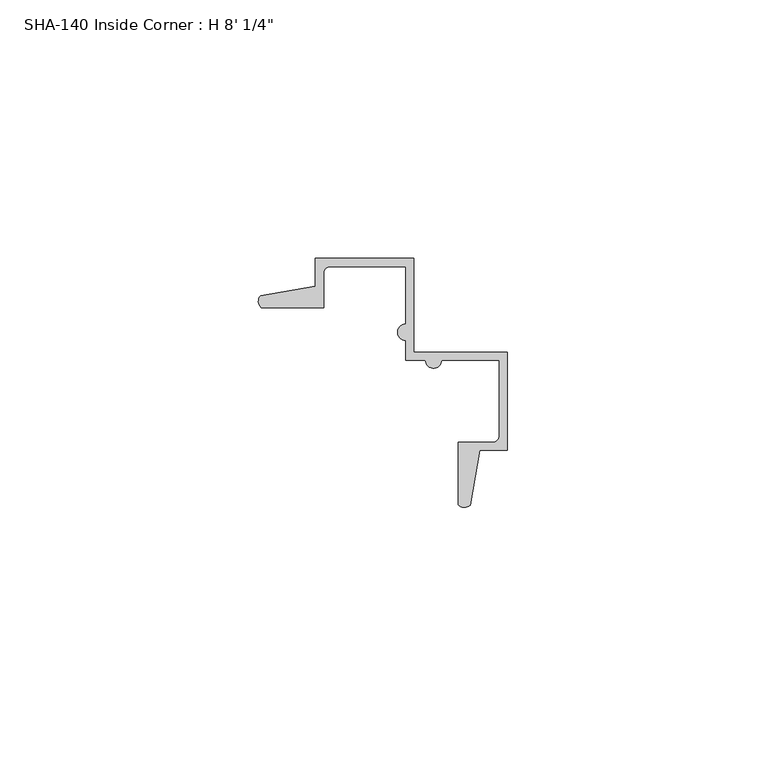
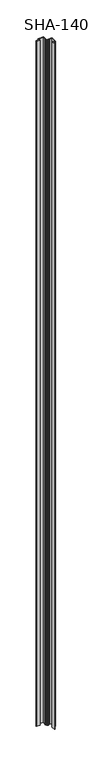
"""IFC4 building model written with IfcOpenShell, lengths in millimetres: proxy geometry."""

from ifc_helpers import new_model, si_unit, point, frame_2d, origin, origin_with_axes, place, context, project, spatial, polyline, circle_curve, trimmed, segment, composite_curve, outline, extrude, source, transform, mapped, element, save


def proxy_3d2296d3(model_context):
    return source(origin(), model_context, "Body", "SweptSolid", [
        extrude(outline(composite_curve([segment(polyline([(22.5074749, -10.2039449), (22.5074749, 4.4010551), (14.5572749, 4.4010551), (11.3695749, 4.4010551)]), True, "CONTINUOUS"), segment(trimmed(circle_curve(frame_2d((9.7947749, 4.4010551)), 1.5748), [point((11.3695749, 4.4010551))], [point((8.2199749, 4.4010551))], False, "CARTESIAN"), True, "CONTINUOUS"), segment(polyline([(8.2199749, 4.4010551), (4.3972749, 4.4010551), (4.3972749, 8.2237551)]), True, "CONTINUOUS"), segment(trimmed(circle_curve(frame_2d((4.3972749, 9.7985551)), 1.5748), [point((4.3972749, 8.2237551))], [point((4.3972749, 11.3733551))], False, "CARTESIAN"), True, "CONTINUOUS"), segment(polyline([(4.3972749, 11.3733551), (4.3972749, 14.5610551), (4.3972749, 22.5112551), (-10.2077251, 22.5112551)]), True, "CONTINUOUS"), segment(trimmed(circle_curve(frame_2d((-10.2077251, 21.2412551)), 1.27), [point((-10.2077251, 22.5112551))], [point((-11.4777251, 21.2412551))], True, "CARTESIAN"), True, "CONTINUOUS"), segment(polyline([(-11.4777251, 21.2412551), (-11.4777251, 14.5610551), (-23.5625282, 14.5610551)]), True, "CONTINUOUS"), segment(trimmed(circle_curve(frame_2d((-22.4717705, 15.7537316)), 1.6162393), [point((-23.5625282, 14.5610551))], [point((-23.628612, 16.8824244))], False, "CARTESIAN"), True, "CONTINUOUS"), segment(polyline([(-23.628612, 16.8824244), (-13.0525251, 18.6933982), (-13.0525251, 24.0860551), (5.9720749, 24.0860551), (5.9720749, 5.9758551), (24.0822749, 5.9758551), (24.0822749, -13.0487449), (18.689618, -13.0487449), (16.8786442, -23.6248318)]), True, "CONTINUOUS"), segment(trimmed(circle_curve(frame_2d((15.7499514, -22.4679903)), 1.6162393), [point((16.8786442, -23.6248318))], [point((14.5572749, -23.558748))], False, "CARTESIAN"), True, "CONTINUOUS"), segment(polyline([(14.5572749, -23.558748), (14.5572749, -11.4739449), (21.2374749, -11.4739449)]), True, "CONTINUOUS"), segment(trimmed(circle_curve(frame_2d((21.2374749, -10.2039449)), 1.27), [point((21.2374749, -11.4739449))], [point((22.5074749, -10.2039449))], True, "CARTESIAN"), True, "CONTINUOUS")], self_intersect=False)), origin_with_axes(), (0.0, 0.0, 1.0), 2444.75),
    ])


if __name__ == "__main__":
    model = new_model("IFC4")
    model_context = context("Model", 3, world=origin())
    ifc_project = project(units=[si_unit("LENGTHUNIT", "METRE", prefix="MILLI")], contexts=[model_context])
    site = spatial("IfcSite", under=ifc_project)
    building = spatial("IfcBuilding", under=site)
    placement = place(None, origin())
    proxy_shape = proxy_3d2296d3(model_context)
    element("IfcBuildingElementProxy", 1, Name="SHA-140 Inside Corner : H 8' 1/4\"", ObjectType="SHA-140 Inside Corner : H 8' 1/4\"", at=placement, inside=building, context=model_context, shape_type="MappedRepresentation", body=[
        mapped(proxy_shape, transform((0.0, 0.0, 0.0), x_axis=(1.0, 0.0, 0.0), y_axis=(0.0, 1.0, 0.0), z_axis=(0.0, 0.0, 1.0))),
    ])
    save(model, "model.ifc")
